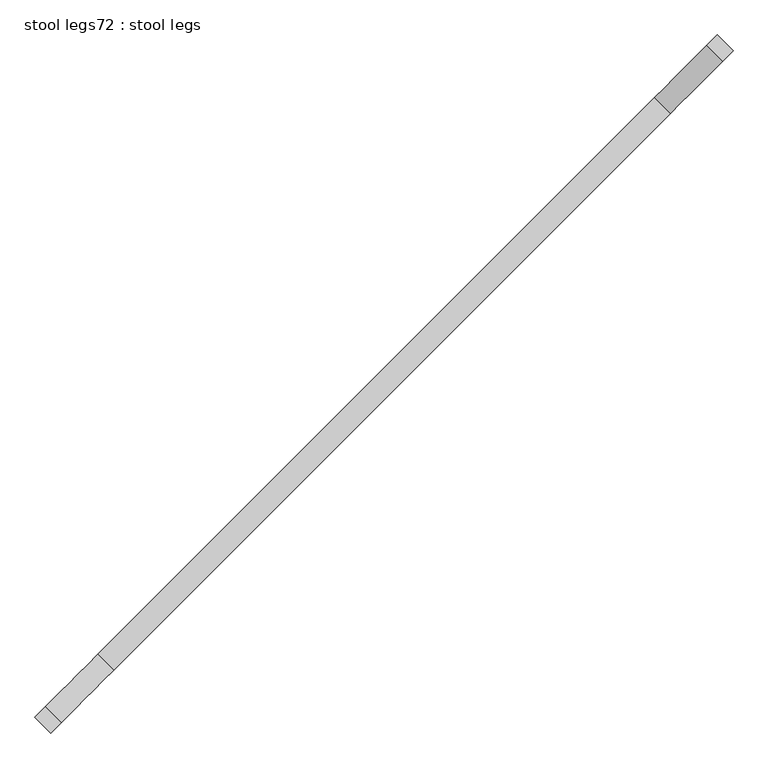
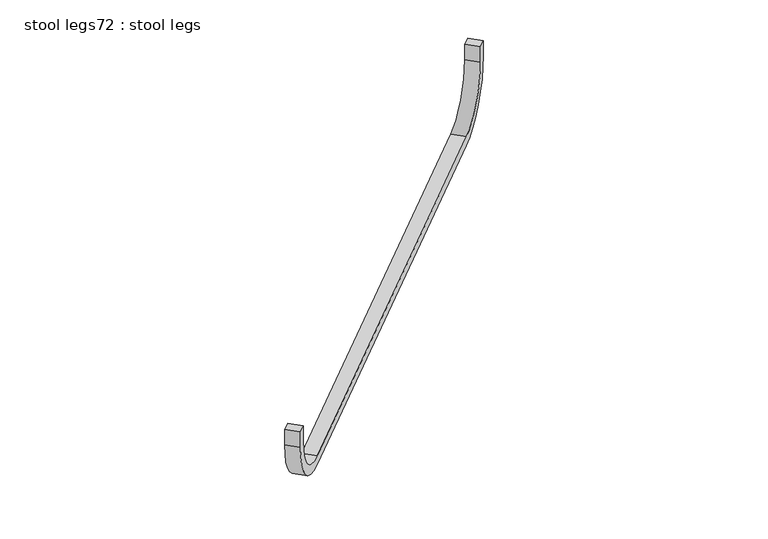
"""IFC4 building model written with IfcOpenShell, lengths in millimetres: furniture geometry, stool legs72 : stool legs."""

from ifc_helpers import new_model, si_unit, point, frame, frame_2d, origin, place, context, project, spatial, polyline, circle_curve, trimmed, segment, composite_curve, outline, extrude, source, transform, mapped, element, save


def stool_legs72_stool_legs_df5ae7f9(model_context):
    return source(origin(), model_context, "Body", "SweptSolid", [
        extrude(outline(composite_curve([segment(polyline([(-44.45, 0.0), (0.0, 0.0), (0.0, -25.4), (-44.45, -25.4)]), True, "CONTINUOUS"), segment(trimmed(circle_curve(frame_2d((-44.45, 127.0)), 152.4), [point((-44.45, -25.4))], [point((-196.85, 127.0))], False, "CARTESIAN"), True, "CONTINUOUS"), segment(polyline([(-196.85, 127.0), (-196.85, 1473.1999999)]), True, "CONTINUOUS"), segment(trimmed(circle_curve(frame_2d((-44.45, 1473.1999999)), 152.4), [point((-196.85, 1473.1999999))], [point((-44.45, 1625.6))], False, "CARTESIAN"), True, "CONTINUOUS"), segment(polyline([(-44.45, 1625.6), (0.0, 1625.6), (0.0, 1600.2), (-44.45, 1600.2)]), True, "CONTINUOUS"), segment(trimmed(circle_curve(frame_2d((-44.45, 1473.1999999)), 127.0), [point((-44.45, 1600.2))], [point((-171.45, 1473.1999999))], True, "CARTESIAN"), True, "CONTINUOUS"), segment(polyline([(-171.45, 1473.1999999), (-171.45, 127.0)]), True, "CONTINUOUS"), segment(trimmed(circle_curve(frame_2d((-44.45, 127.0)), 127.0), [point((-171.45, 127.0))], [point((-44.45, 0.0))], True, "CARTESIAN"), True, "CONTINUOUS")], self_intersect=False)), frame((-119892.0908492, -6524.1871226, 457.2), z_axis=(-0.7071067811865603, 0.7071067811865347, 0.0), x_axis=(0.0, 0.0, 1.0)), (0.0, 0.0, 1.0), 38.1),
    ])


if __name__ == "__main__":
    model = new_model("IFC4")
    model_context = context("Model", 3, world=origin())
    ifc_project = project(units=[si_unit("LENGTHUNIT", "METRE", prefix="MILLI")], contexts=[model_context])
    site = spatial("IfcSite", under=ifc_project)
    building = spatial("IfcBuilding", under=site)
    placement = place(None, origin())
    stool_legs72_stool_legs_shape = stool_legs72_stool_legs_df5ae7f9(model_context)
    element("IfcFurniture", 1, ObjectType="stool legs72 : stool legs", at=placement, inside=building, context=model_context, shape_type="MappedRepresentation", body=[
        mapped(stool_legs72_stool_legs_shape, transform((0.0, 0.0, 0.0), x_axis=(1.0, 0.0, 0.0), y_axis=(0.0, 1.0, 0.0), z_axis=(0.0, 0.0, 1.0))),
    ])
    save(model, "model.ifc")
